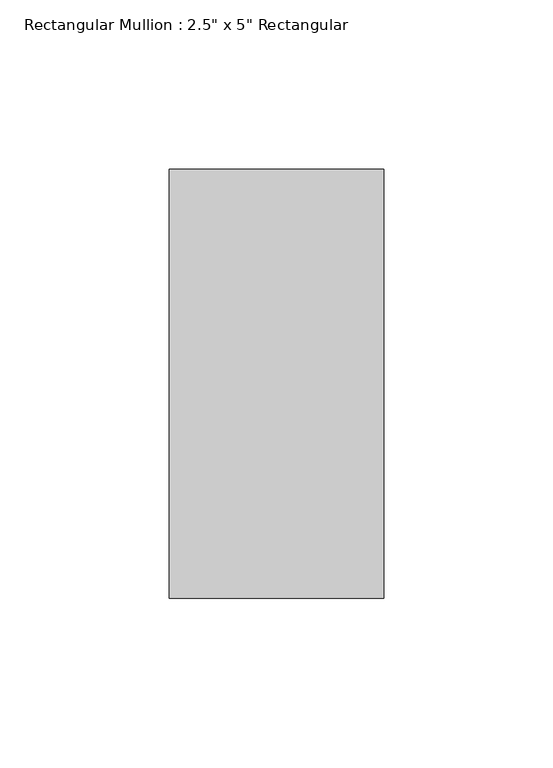
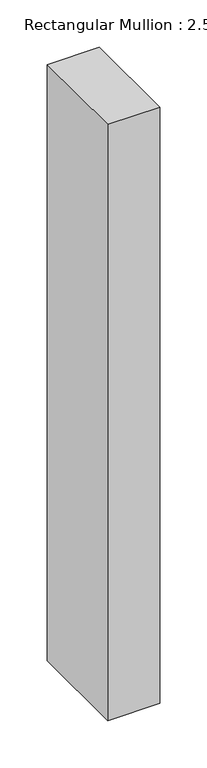
"""IFC4 building model written with IfcOpenShell, lengths in millimetres: member geometry."""

from ifc_helpers import new_model, si_unit, frame, origin, place, context, project, spatial, polyline, outline, extrude, source, transform, mapped, element, save


def member_7d5d45fc(model_context):
    return source(origin(), model_context, "Body", "SweptSolid", [
        extrude(outline(polyline([(31.75, 63.5), (31.75, -63.5), (-31.75, -63.5), (-31.75, 63.5), (31.75, 63.5)])), frame((0.0, 0.0, -768.35), z_axis=(0.0, 0.0, 1.0), x_axis=(1.0, 0.0, 0.0)), (0.0, 0.0, 1.0), 768.35),
    ])


if __name__ == "__main__":
    model = new_model("IFC4")
    model_context = context("Model", 3, world=origin())
    ifc_project = project(units=[si_unit("LENGTHUNIT", "METRE", prefix="MILLI")], contexts=[model_context])
    site = spatial("IfcSite", under=ifc_project)
    building = spatial("IfcBuilding", under=site)
    placement = place(None, origin())
    member_shape = member_7d5d45fc(model_context)
    element("IfcMember", 1, ObjectType="Rectangular Mullion : 2.5\" x 5\" Rectangular", at=placement, inside=building, context=model_context, shape_type="MappedRepresentation", body=[
        mapped(member_shape, transform((0.0, 0.0, 0.0), x_axis=(1.0, 0.0, 0.0), y_axis=(0.0, 1.0, 0.0), z_axis=(0.0, 0.0, 1.0))),
    ])
    save(model, "model.ifc")
